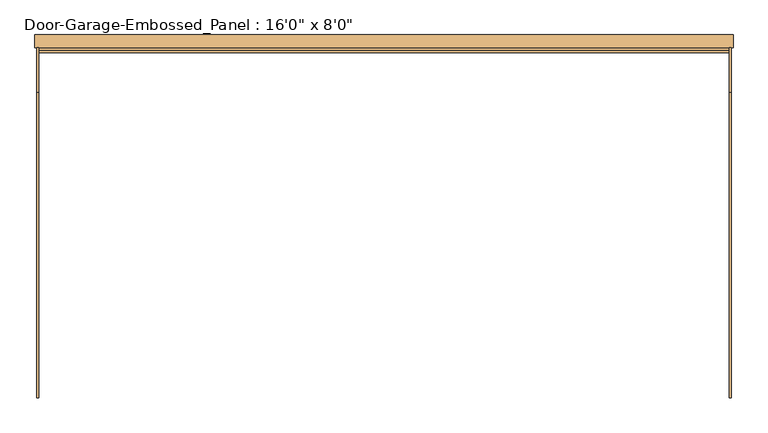
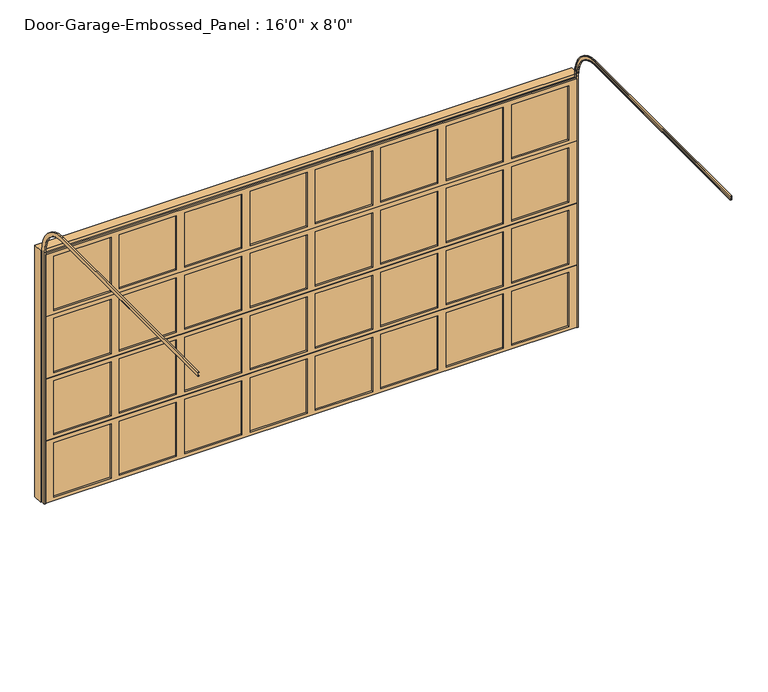
"""IFC4 building model written with IfcOpenShell, lengths in millimetres: door geometry."""

from ifc_helpers import new_model, si_unit, frame, origin, place, context, project, spatial, polyline, circle_curve, outline, extrude, faceted_brep, source, transform, mapped, element, save
from ifc_brep_helpers import plane_surface, cylinder_surface, revolved_surface, advanced_brep


def door_260d2f7f(model_context):
    return source(origin(), model_context, "Body", "SolidModel", [
        extrude(outline(polyline([(1762.125, -63.5), (1762.125, -69.85), (1238.25, -69.85), (1238.25, -63.5), (1762.125, -63.5)])), frame((0.0, 0.0, 1847.85), z_axis=(0.0, 0.0, 1.0), x_axis=(1.0, 0.0, 0.0)), (0.0, 0.0, 1.0), 527.05),
        extrude(outline(polyline([(1162.05, -63.5), (1162.05, -69.85), (638.175, -69.85), (638.175, -63.5), (1162.05, -63.5)])), frame((0.0, 0.0, 1847.85), z_axis=(0.0, 0.0, 1.0), x_axis=(1.0, 0.0, 0.0)), (0.0, 0.0, 1.0), 527.05),
        extrude(outline(polyline([(561.975, -63.5), (561.975, -69.85), (38.1, -69.85), (38.1, -63.5), (561.975, -63.5)])), frame((0.0, 0.0, 1847.85), z_axis=(0.0, 0.0, 1.0), x_axis=(1.0, 0.0, 0.0)), (0.0, 0.0, 1.0), 527.05),
        extrude(outline(polyline([(-38.1, -63.5), (-38.1, -69.85), (-561.975, -69.85), (-561.975, -63.5), (-38.1, -63.5)])), frame((0.0, 0.0, 1847.85), z_axis=(0.0, 0.0, 1.0), x_axis=(1.0, 0.0, 0.0)), (0.0, 0.0, 1.0), 527.05),
        extrude(outline(polyline([(-638.175, -63.5), (-638.175, -69.85), (-1162.05, -69.85), (-1162.05, -63.5), (-638.175, -63.5)])), frame((0.0, 0.0, 1847.85), z_axis=(0.0, 0.0, 1.0), x_axis=(1.0, 0.0, 0.0)), (0.0, 0.0, 1.0), 527.05),
        extrude(outline(polyline([(-1238.25, -63.5), (-1238.25, -69.85), (-1762.125, -69.85), (-1762.125, -63.5), (-1238.25, -63.5)])), frame((0.0, 0.0, 1847.85), z_axis=(0.0, 0.0, 1.0), x_axis=(1.0, 0.0, 0.0)), (0.0, 0.0, 1.0), 527.05),
        extrude(outline(polyline([(2362.2, -63.5), (2362.2, -69.85), (1838.325, -69.85), (1838.325, -63.5), (2362.2, -63.5)])), frame((0.0, 0.0, 1847.85), z_axis=(0.0, 0.0, 1.0), x_axis=(1.0, 0.0, 0.0)), (0.0, 0.0, 1.0), 527.05),
        extrude(outline(polyline([(-1838.325, -63.5), (-1838.325, -69.85), (-2362.2, -69.85), (-2362.2, -63.5), (-1838.325, -63.5)])), frame((0.0, 0.0, 1847.85), z_axis=(0.0, 0.0, 1.0), x_axis=(1.0, 0.0, 0.0)), (0.0, 0.0, 1.0), 527.05),
        faceted_brep([(2438.4, -69.85, 2416.175), (2438.4, -85.725, 2416.175), (2438.4, -85.725, 1816.1), (2438.4, -63.5, 1816.1), (2438.4, -63.5, 1809.75), (2438.4, -47.625, 1809.75), (2438.4, -47.625, 2409.825), (2438.4, -69.85, 2409.825), (-2438.4, -85.725, 2416.175), (-2438.4, -69.85, 2416.175), (-2438.4, -69.85, 2409.825), (-2438.4, -47.625, 2409.825), (-2438.4, -47.625, 1809.75), (-2438.4, -63.5, 1809.75), (-2438.4, -63.5, 1816.1), (-2438.4, -85.725, 1816.1), (1838.325, -85.725, 2374.9), (2362.2, -85.725, 2374.9), (2362.2, -85.725, 1847.85), (1838.325, -85.725, 1847.85), (-1762.125, -85.725, 2374.9), (-1238.25, -85.725, 2374.9), (-1238.25, -85.725, 1847.85), (-1762.125, -85.725, 1847.85), (-1162.05, -85.725, 2374.9), (-638.175, -85.725, 2374.9), (-638.175, -85.725, 1847.85), (-1162.05, -85.725, 1847.85), (-2362.2, -85.725, 2374.9), (-1838.325, -85.725, 2374.9), (-1838.325, -85.725, 1847.85), (-2362.2, -85.725, 1847.85), (-561.975, -85.725, 2374.9), (-38.1, -85.725, 2374.9), (-38.1, -85.725, 1847.85), (-561.975, -85.725, 1847.85), (38.1, -85.725, 2374.9), (561.975, -85.725, 2374.9), (561.975, -85.725, 1847.85), (38.1, -85.725, 1847.85), (638.175, -85.725, 2374.9), (1162.05, -85.725, 2374.9), (1162.05, -85.725, 1847.85), (638.175, -85.725, 1847.85), (1238.25, -85.725, 2374.9), (1762.125, -85.725, 2374.9), (1762.125, -85.725, 1847.85), (1238.25, -85.725, 1847.85), (2362.2, -47.625, 2374.9), (1838.325, -47.625, 2374.9), (1838.325, -47.625, 1847.85), (2362.2, -47.625, 1847.85), (-1238.25, -47.625, 2374.9), (-1762.125, -47.625, 2374.9), (-1762.125, -47.625, 1847.85), (-1238.25, -47.625, 1847.85), (-638.175, -47.625, 2374.9), (-1162.05, -47.625, 2374.9), (-1162.05, -47.625, 1847.85), (-638.175, -47.625, 1847.85), (-1838.325, -47.625, 2374.9), (-2362.2, -47.625, 2374.9), (-2362.2, -47.625, 1847.85), (-1838.325, -47.625, 1847.85), (-38.1, -47.625, 2374.9), (-561.975, -47.625, 2374.9), (-561.975, -47.625, 1847.85), (-38.1, -47.625, 1847.85), (561.975, -47.625, 2374.9), (38.1, -47.625, 2374.9), (38.1, -47.625, 1847.85), (561.975, -47.625, 1847.85), (1162.05, -47.625, 2374.9), (638.175, -47.625, 2374.9), (638.175, -47.625, 1847.85), (1162.05, -47.625, 1847.85), (1762.125, -47.625, 2374.9), (1238.25, -47.625, 2374.9), (1238.25, -47.625, 1847.85), (1762.125, -47.625, 1847.85)], [[[0, 1, 2, 3, 4, 5, 6, 7]], [[8, 9, 10, 11, 12, 13, 14, 15]], [[1, 0, 9, 8]], [[2, 1, 8, 15], [16, 17, 18, 19], [20, 21, 22, 23], [24, 25, 26, 27], [28, 29, 30, 31], [32, 33, 34, 35], [36, 37, 38, 39], [40, 41, 42, 43], [44, 45, 46, 47]], [[3, 2, 15, 14]], [[4, 3, 14, 13]], [[5, 4, 13, 12]], [[6, 5, 12, 11], [48, 49, 50, 51], [52, 53, 54, 55], [56, 57, 58, 59], [60, 61, 62, 63], [64, 65, 66, 67], [68, 69, 70, 71], [72, 73, 74, 75], [76, 77, 78, 79]], [[7, 6, 11, 10]], [[0, 7, 10, 9]], [[16, 49, 48, 17]], [[49, 16, 19, 50]], [[50, 19, 18, 51]], [[17, 48, 51, 18]], [[20, 53, 52, 21]], [[53, 20, 23, 54]], [[54, 23, 22, 55]], [[21, 52, 55, 22]], [[24, 57, 56, 25]], [[57, 24, 27, 58]], [[58, 27, 26, 59]], [[25, 56, 59, 26]], [[61, 28, 31, 62]], [[62, 31, 30, 63]], [[28, 61, 60, 29]], [[29, 60, 63, 30]], [[32, 65, 64, 33]], [[65, 32, 35, 66]], [[66, 35, 34, 67]], [[33, 64, 67, 34]], [[36, 69, 68, 37]], [[69, 36, 39, 70]], [[70, 39, 38, 71]], [[37, 68, 71, 38]], [[40, 73, 72, 41]], [[73, 40, 43, 74]], [[74, 43, 42, 75]], [[41, 72, 75, 42]], [[44, 77, 76, 45]], [[77, 44, 47, 78]], [[78, 47, 46, 79]], [[45, 76, 79, 46]]]),
        extrude(outline(polyline([(1762.125, -63.5), (1762.125, -69.85), (1238.25, -69.85), (1238.25, -63.5), (1762.125, -63.5)])), frame((0.0, 0.0, 1244.6), z_axis=(0.0, 0.0, 1.0), x_axis=(1.0, 0.0, 0.0)), (0.0, 0.0, 1.0), 527.05),
        extrude(outline(polyline([(1162.05, -63.5), (1162.05, -69.85), (638.175, -69.85), (638.175, -63.5), (1162.05, -63.5)])), frame((0.0, 0.0, 1244.6), z_axis=(0.0, 0.0, 1.0), x_axis=(1.0, 0.0, 0.0)), (0.0, 0.0, 1.0), 527.05),
        extrude(outline(polyline([(561.975, -63.5), (561.975, -69.85), (38.1, -69.85), (38.1, -63.5), (561.975, -63.5)])), frame((0.0, 0.0, 1244.6), z_axis=(0.0, 0.0, 1.0), x_axis=(1.0, 0.0, 0.0)), (0.0, 0.0, 1.0), 527.05),
        extrude(outline(polyline([(-38.1, -63.5), (-38.1, -69.85), (-561.975, -69.85), (-561.975, -63.5), (-38.1, -63.5)])), frame((0.0, 0.0, 1244.6), z_axis=(0.0, 0.0, 1.0), x_axis=(1.0, 0.0, 0.0)), (0.0, 0.0, 1.0), 527.05),
        extrude(outline(polyline([(-638.175, -63.5), (-638.175, -69.85), (-1162.05, -69.85), (-1162.05, -63.5), (-638.175, -63.5)])), frame((0.0, 0.0, 1244.6), z_axis=(0.0, 0.0, 1.0), x_axis=(1.0, 0.0, 0.0)), (0.0, 0.0, 1.0), 527.05),
        extrude(outline(polyline([(-1238.25, -63.5), (-1238.25, -69.85), (-1762.125, -69.85), (-1762.125, -63.5), (-1238.25, -63.5)])), frame((0.0, 0.0, 1244.6), z_axis=(0.0, 0.0, 1.0), x_axis=(1.0, 0.0, 0.0)), (0.0, 0.0, 1.0), 527.05),
        extrude(outline(polyline([(2362.2, -63.5), (2362.2, -69.85), (1838.325, -69.85), (1838.325, -63.5), (2362.2, -63.5)])), frame((0.0, 0.0, 1244.6), z_axis=(0.0, 0.0, 1.0), x_axis=(1.0, 0.0, 0.0)), (0.0, 0.0, 1.0), 527.05),
        extrude(outline(polyline([(-1838.325, -63.5), (-1838.325, -69.85), (-2362.2, -69.85), (-2362.2, -63.5), (-1838.325, -63.5)])), frame((0.0, 0.0, 1244.6), z_axis=(0.0, 0.0, 1.0), x_axis=(1.0, 0.0, 0.0)), (0.0, 0.0, 1.0), 527.05),
        faceted_brep([(2438.4, -69.85, 1812.925), (2438.4, -85.725, 1812.925), (2438.4, -85.725, 1212.85), (2438.4, -63.5, 1212.85), (2438.4, -63.5, 1206.5), (2438.4, -47.625, 1206.5), (2438.4, -47.625, 1806.575), (2438.4, -69.85, 1806.575), (-2438.4, -85.725, 1812.925), (-2438.4, -69.85, 1812.925), (-2438.4, -69.85, 1806.575), (-2438.4, -47.625, 1806.575), (-2438.4, -47.625, 1206.5), (-2438.4, -63.5, 1206.5), (-2438.4, -63.5, 1212.85), (-2438.4, -85.725, 1212.85), (1838.325, -85.725, 1771.65), (2362.2, -85.725, 1771.65), (2362.2, -85.725, 1244.6), (1838.325, -85.725, 1244.6), (-1762.125, -85.725, 1771.65), (-1238.25, -85.725, 1771.65), (-1238.25, -85.725, 1244.6), (-1762.125, -85.725, 1244.6), (-1162.05, -85.725, 1771.65), (-638.175, -85.725, 1771.65), (-638.175, -85.725, 1244.6), (-1162.05, -85.725, 1244.6), (-2362.2, -85.725, 1771.65), (-1838.325, -85.725, 1771.65), (-1838.325, -85.725, 1244.6), (-2362.2, -85.725, 1244.6), (-561.975, -85.725, 1771.65), (-38.1, -85.725, 1771.65), (-38.1, -85.725, 1244.6), (-561.975, -85.725, 1244.6), (38.1, -85.725, 1771.65), (561.975, -85.725, 1771.65), (561.975, -85.725, 1244.6), (38.1, -85.725, 1244.6), (638.175, -85.725, 1771.65), (1162.05, -85.725, 1771.65), (1162.05, -85.725, 1244.6), (638.175, -85.725, 1244.6), (1238.25, -85.725, 1771.65), (1762.125, -85.725, 1771.65), (1762.125, -85.725, 1244.6), (1238.25, -85.725, 1244.6), (2362.2, -47.625, 1771.65), (1838.325, -47.625, 1771.65), (1838.325, -47.625, 1244.6), (2362.2, -47.625, 1244.6), (-1238.25, -47.625, 1771.65), (-1762.125, -47.625, 1771.65), (-1762.125, -47.625, 1244.6), (-1238.25, -47.625, 1244.6), (-638.175, -47.625, 1771.65), (-1162.05, -47.625, 1771.65), (-1162.05, -47.625, 1244.6), (-638.175, -47.625, 1244.6), (-1838.325, -47.625, 1771.65), (-2362.2, -47.625, 1771.65), (-2362.2, -47.625, 1244.6), (-1838.325, -47.625, 1244.6), (-38.1, -47.625, 1771.65), (-561.975, -47.625, 1771.65), (-561.975, -47.625, 1244.6), (-38.1, -47.625, 1244.6), (561.975, -47.625, 1771.65), (38.1, -47.625, 1771.65), (38.1, -47.625, 1244.6), (561.975, -47.625, 1244.6), (1162.05, -47.625, 1771.65), (638.175, -47.625, 1771.65), (638.175, -47.625, 1244.6), (1162.05, -47.625, 1244.6), (1762.125, -47.625, 1771.65), (1238.25, -47.625, 1771.65), (1238.25, -47.625, 1244.6), (1762.125, -47.625, 1244.6)], [[[0, 1, 2, 3, 4, 5, 6, 7]], [[8, 9, 10, 11, 12, 13, 14, 15]], [[1, 0, 9, 8]], [[2, 1, 8, 15], [16, 17, 18, 19], [20, 21, 22, 23], [24, 25, 26, 27], [28, 29, 30, 31], [32, 33, 34, 35], [36, 37, 38, 39], [40, 41, 42, 43], [44, 45, 46, 47]], [[3, 2, 15, 14]], [[4, 3, 14, 13]], [[5, 4, 13, 12]], [[6, 5, 12, 11], [48, 49, 50, 51], [52, 53, 54, 55], [56, 57, 58, 59], [60, 61, 62, 63], [64, 65, 66, 67], [68, 69, 70, 71], [72, 73, 74, 75], [76, 77, 78, 79]], [[7, 6, 11, 10]], [[0, 7, 10, 9]], [[16, 49, 48, 17]], [[49, 16, 19, 50]], [[50, 19, 18, 51]], [[17, 48, 51, 18]], [[20, 53, 52, 21]], [[53, 20, 23, 54]], [[54, 23, 22, 55]], [[21, 52, 55, 22]], [[24, 57, 56, 25]], [[57, 24, 27, 58]], [[58, 27, 26, 59]], [[25, 56, 59, 26]], [[61, 28, 31, 62]], [[62, 31, 30, 63]], [[28, 61, 60, 29]], [[29, 60, 63, 30]], [[32, 65, 64, 33]], [[65, 32, 35, 66]], [[66, 35, 34, 67]], [[33, 64, 67, 34]], [[36, 69, 68, 37]], [[69, 36, 39, 70]], [[70, 39, 38, 71]], [[37, 68, 71, 38]], [[40, 73, 72, 41]], [[73, 40, 43, 74]], [[74, 43, 42, 75]], [[41, 72, 75, 42]], [[44, 77, 76, 45]], [[77, 44, 47, 78]], [[78, 47, 46, 79]], [[45, 76, 79, 46]]]),
        extrude(outline(polyline([(1762.125, -63.5), (1762.125, -69.85), (1238.25, -69.85), (1238.25, -63.5), (1762.125, -63.5)])), frame((0.0, 0.0, 641.35), z_axis=(0.0, 0.0, 1.0), x_axis=(1.0, 0.0, 0.0)), (0.0, 0.0, 1.0), 527.05),
        extrude(outline(polyline([(1162.05, -63.5), (1162.05, -69.85), (638.175, -69.85), (638.175, -63.5), (1162.05, -63.5)])), frame((0.0, 0.0, 641.35), z_axis=(0.0, 0.0, 1.0), x_axis=(1.0, 0.0, 0.0)), (0.0, 0.0, 1.0), 527.05),
        extrude(outline(polyline([(561.975, -63.5), (561.975, -69.85), (38.1, -69.85), (38.1, -63.5), (561.975, -63.5)])), frame((0.0, 0.0, 641.35), z_axis=(0.0, 0.0, 1.0), x_axis=(1.0, 0.0, 0.0)), (0.0, 0.0, 1.0), 527.05),
        extrude(outline(polyline([(-38.1, -63.5), (-38.1, -69.85), (-561.975, -69.85), (-561.975, -63.5), (-38.1, -63.5)])), frame((0.0, 0.0, 641.35), z_axis=(0.0, 0.0, 1.0), x_axis=(1.0, 0.0, 0.0)), (0.0, 0.0, 1.0), 527.05),
        extrude(outline(polyline([(-638.175, -63.5), (-638.175, -69.85), (-1162.05, -69.85), (-1162.05, -63.5), (-638.175, -63.5)])), frame((0.0, 0.0, 641.35), z_axis=(0.0, 0.0, 1.0), x_axis=(1.0, 0.0, 0.0)), (0.0, 0.0, 1.0), 527.05),
        extrude(outline(polyline([(-1238.25, -63.5), (-1238.25, -69.85), (-1762.125, -69.85), (-1762.125, -63.5), (-1238.25, -63.5)])), frame((0.0, 0.0, 641.35), z_axis=(0.0, 0.0, 1.0), x_axis=(1.0, 0.0, 0.0)), (0.0, 0.0, 1.0), 527.05),
        extrude(outline(polyline([(2362.2, -63.5), (2362.2, -69.85), (1838.325, -69.85), (1838.325, -63.5), (2362.2, -63.5)])), frame((0.0, 0.0, 641.35), z_axis=(0.0, 0.0, 1.0), x_axis=(1.0, 0.0, 0.0)), (0.0, 0.0, 1.0), 527.05),
        extrude(outline(polyline([(-1838.325, -63.5), (-1838.325, -69.85), (-2362.2, -69.85), (-2362.2, -63.5), (-1838.325, -63.5)])), frame((0.0, 0.0, 641.35), z_axis=(0.0, 0.0, 1.0), x_axis=(1.0, 0.0, 0.0)), (0.0, 0.0, 1.0), 527.05),
        faceted_brep([(2438.4, -69.85, 1209.675), (2438.4, -85.725, 1209.675), (2438.4, -85.725, 609.6), (2438.4, -63.5, 609.6), (2438.4, -63.5, 603.25), (2438.4, -47.625, 603.25), (2438.4, -47.625, 1203.325), (2438.4, -69.85, 1203.325), (-2438.4, -85.725, 1209.675), (-2438.4, -69.85, 1209.675), (-2438.4, -69.85, 1203.325), (-2438.4, -47.625, 1203.325), (-2438.4, -47.625, 603.25), (-2438.4, -63.5, 603.25), (-2438.4, -63.5, 609.6), (-2438.4, -85.725, 609.6), (1838.325, -85.725, 1168.4), (2362.2, -85.725, 1168.4), (2362.2, -85.725, 641.35), (1838.325, -85.725, 641.35), (-1762.125, -85.725, 1168.4), (-1238.25, -85.725, 1168.4), (-1238.25, -85.725, 641.35), (-1762.125, -85.725, 641.35), (-1162.05, -85.725, 1168.4), (-638.175, -85.725, 1168.4), (-638.175, -85.725, 641.35), (-1162.05, -85.725, 641.35), (-2362.2, -85.725, 1168.4), (-1838.325, -85.725, 1168.4), (-1838.325, -85.725, 641.35), (-2362.2, -85.725, 641.35), (-561.975, -85.725, 1168.4), (-38.1, -85.725, 1168.4), (-38.1, -85.725, 641.35), (-561.975, -85.725, 641.35), (38.1, -85.725, 1168.4), (561.975, -85.725, 1168.4), (561.975, -85.725, 641.35), (38.1, -85.725, 641.35), (638.175, -85.725, 1168.4), (1162.05, -85.725, 1168.4), (1162.05, -85.725, 641.35), (638.175, -85.725, 641.35), (1238.25, -85.725, 1168.4), (1762.125, -85.725, 1168.4), (1762.125, -85.725, 641.35), (1238.25, -85.725, 641.35), (2362.2, -47.625, 1168.4), (1838.325, -47.625, 1168.4), (1838.325, -47.625, 641.35), (2362.2, -47.625, 641.35), (-1238.25, -47.625, 1168.4), (-1762.125, -47.625, 1168.4), (-1762.125, -47.625, 641.35), (-1238.25, -47.625, 641.35), (-638.175, -47.625, 1168.4), (-1162.05, -47.625, 1168.4), (-1162.05, -47.625, 641.35), (-638.175, -47.625, 641.35), (-1838.325, -47.625, 1168.4), (-2362.2, -47.625, 1168.4), (-2362.2, -47.625, 641.35), (-1838.325, -47.625, 641.35), (-38.1, -47.625, 1168.4), (-561.975, -47.625, 1168.4), (-561.975, -47.625, 641.35), (-38.1, -47.625, 641.35), (561.975, -47.625, 1168.4), (38.1, -47.625, 1168.4), (38.1, -47.625, 641.35), (561.975, -47.625, 641.35), (1162.05, -47.625, 1168.4), (638.175, -47.625, 1168.4), (638.175, -47.625, 641.35), (1162.05, -47.625, 641.35), (1762.125, -47.625, 1168.4), (1238.25, -47.625, 1168.4), (1238.25, -47.625, 641.35), (1762.125, -47.625, 641.35)], [[[0, 1, 2, 3, 4, 5, 6, 7]], [[8, 9, 10, 11, 12, 13, 14, 15]], [[1, 0, 9, 8]], [[2, 1, 8, 15], [16, 17, 18, 19], [20, 21, 22, 23], [24, 25, 26, 27], [28, 29, 30, 31], [32, 33, 34, 35], [36, 37, 38, 39], [40, 41, 42, 43], [44, 45, 46, 47]], [[3, 2, 15, 14]], [[4, 3, 14, 13]], [[5, 4, 13, 12]], [[6, 5, 12, 11], [48, 49, 50, 51], [52, 53, 54, 55], [56, 57, 58, 59], [60, 61, 62, 63], [64, 65, 66, 67], [68, 69, 70, 71], [72, 73, 74, 75], [76, 77, 78, 79]], [[7, 6, 11, 10]], [[0, 7, 10, 9]], [[16, 49, 48, 17]], [[49, 16, 19, 50]], [[50, 19, 18, 51]], [[17, 48, 51, 18]], [[20, 53, 52, 21]], [[53, 20, 23, 54]], [[54, 23, 22, 55]], [[21, 52, 55, 22]], [[24, 57, 56, 25]], [[57, 24, 27, 58]], [[58, 27, 26, 59]], [[25, 56, 59, 26]], [[61, 28, 31, 62]], [[62, 31, 30, 63]], [[28, 61, 60, 29]], [[29, 60, 63, 30]], [[32, 65, 64, 33]], [[65, 32, 35, 66]], [[66, 35, 34, 67]], [[33, 64, 67, 34]], [[36, 69, 68, 37]], [[69, 36, 39, 70]], [[70, 39, 38, 71]], [[37, 68, 71, 38]], [[40, 73, 72, 41]], [[73, 40, 43, 74]], [[74, 43, 42, 75]], [[41, 72, 75, 42]], [[44, 77, 76, 45]], [[77, 44, 47, 78]], [[78, 47, 46, 79]], [[45, 76, 79, 46]]]),
        extrude(outline(polyline([(1762.125, -63.5), (1762.125, -69.85), (1238.25, -69.85), (1238.25, -63.5), (1762.125, -63.5)])), frame((0.0, 0.0, 38.1), z_axis=(0.0, 0.0, 1.0), x_axis=(1.0, 0.0, 0.0)), (0.0, 0.0, 1.0), 527.05),
        extrude(outline(polyline([(1162.05, -63.5), (1162.05, -69.85), (638.175, -69.85), (638.175, -63.5), (1162.05, -63.5)])), frame((0.0, 0.0, 38.1), z_axis=(0.0, 0.0, 1.0), x_axis=(1.0, 0.0, 0.0)), (0.0, 0.0, 1.0), 527.05),
        extrude(outline(polyline([(561.975, -63.5), (561.975, -69.85), (38.1, -69.85), (38.1, -63.5), (561.975, -63.5)])), frame((0.0, 0.0, 38.1), z_axis=(0.0, 0.0, 1.0), x_axis=(1.0, 0.0, 0.0)), (0.0, 0.0, 1.0), 527.05),
        extrude(outline(polyline([(-38.1, -63.5), (-38.1, -69.85), (-561.975, -69.85), (-561.975, -63.5), (-38.1, -63.5)])), frame((0.0, 0.0, 38.1), z_axis=(0.0, 0.0, 1.0), x_axis=(1.0, 0.0, 0.0)), (0.0, 0.0, 1.0), 527.05),
        extrude(outline(polyline([(-638.175, -63.5), (-638.175, -69.85), (-1162.05, -69.85), (-1162.05, -63.5), (-638.175, -63.5)])), frame((0.0, 0.0, 38.1), z_axis=(0.0, 0.0, 1.0), x_axis=(1.0, 0.0, 0.0)), (0.0, 0.0, 1.0), 527.05),
        extrude(outline(polyline([(-1238.25, -63.5), (-1238.25, -69.85), (-1762.125, -69.85), (-1762.125, -63.5), (-1238.25, -63.5)])), frame((0.0, 0.0, 38.1), z_axis=(0.0, 0.0, 1.0), x_axis=(1.0, 0.0, 0.0)), (0.0, 0.0, 1.0), 527.05),
        extrude(outline(polyline([(2362.2, -63.5), (2362.2, -69.85), (1838.325, -69.85), (1838.325, -63.5), (2362.2, -63.5)])), frame((0.0, 0.0, 38.1), z_axis=(0.0, 0.0, 1.0), x_axis=(1.0, 0.0, 0.0)), (0.0, 0.0, 1.0), 527.05),
        extrude(outline(polyline([(-1838.325, -63.5), (-1838.325, -69.85), (-2362.2, -69.85), (-2362.2, -63.5), (-1838.325, -63.5)])), frame((0.0, 0.0, 38.1), z_axis=(0.0, 0.0, 1.0), x_axis=(1.0, 0.0, 0.0)), (0.0, 0.0, 1.0), 527.05),
        faceted_brep([(2438.4, -69.85, 606.425), (2438.4, -85.725, 606.425), (2438.4, -85.725, 6.35), (2438.4, -63.5, 6.35), (2438.4, -63.5, 0.0), (2438.4, -47.625, 0.0), (2438.4, -47.625, 600.075), (2438.4, -69.85, 600.075), (-2438.4, -85.725, 606.425), (-2438.4, -69.85, 606.425), (-2438.4, -69.85, 600.075), (-2438.4, -47.625, 600.075), (-2438.4, -47.625, 0.0), (-2438.4, -63.5, 0.0), (-2438.4, -63.5, 6.35), (-2438.4, -85.725, 6.35), (1838.325, -85.725, 565.15), (2362.2, -85.725, 565.15), (2362.2, -85.725, 38.1), (1838.325, -85.725, 38.1), (-1762.125, -85.725, 565.15), (-1238.25, -85.725, 565.15), (-1238.25, -85.725, 38.1), (-1762.125, -85.725, 38.1), (-1162.05, -85.725, 565.15), (-638.175, -85.725, 565.15), (-638.175, -85.725, 38.1), (-1162.05, -85.725, 38.1), (-2362.2, -85.725, 565.15), (-1838.325, -85.725, 565.15), (-1838.325, -85.725, 38.1), (-2362.2, -85.725, 38.1), (-561.975, -85.725, 565.15), (-38.1, -85.725, 565.15), (-38.1, -85.725, 38.1), (-561.975, -85.725, 38.1), (38.1, -85.725, 565.15), (561.975, -85.725, 565.15), (561.975, -85.725, 38.1), (38.1, -85.725, 38.1), (638.175, -85.725, 565.15), (1162.05, -85.725, 565.15), (1162.05, -85.725, 38.1), (638.175, -85.725, 38.1), (1238.25, -85.725, 565.15), (1762.125, -85.725, 565.15), (1762.125, -85.725, 38.1), (1238.25, -85.725, 38.1), (2362.2, -47.625, 565.15), (1838.325, -47.625, 565.15), (1838.325, -47.625, 38.1), (2362.2, -47.625, 38.1), (-1238.25, -47.625, 565.15), (-1762.125, -47.625, 565.15), (-1762.125, -47.625, 38.1), (-1238.25, -47.625, 38.1), (-638.175, -47.625, 565.15), (-1162.05, -47.625, 565.15), (-1162.05, -47.625, 38.1), (-638.175, -47.625, 38.1), (-1838.325, -47.625, 565.15), (-2362.2, -47.625, 565.15), (-2362.2, -47.625, 38.1), (-1838.325, -47.625, 38.1), (-38.1, -47.625, 565.15), (-561.975, -47.625, 565.15), (-561.975, -47.625, 38.1), (-38.1, -47.625, 38.1), (561.975, -47.625, 565.15), (38.1, -47.625, 565.15), (38.1, -47.625, 38.1), (561.975, -47.625, 38.1), (1162.05, -47.625, 565.15), (638.175, -47.625, 565.15), (638.175, -47.625, 38.1), (1162.05, -47.625, 38.1), (1762.125, -47.625, 565.15), (1238.25, -47.625, 565.15), (1238.25, -47.625, 38.1), (1762.125, -47.625, 38.1)], [[[0, 1, 2, 3, 4, 5, 6, 7]], [[8, 9, 10, 11, 12, 13, 14, 15]], [[1, 0, 9, 8]], [[2, 1, 8, 15], [16, 17, 18, 19], [20, 21, 22, 23], [24, 25, 26, 27], [28, 29, 30, 31], [32, 33, 34, 35], [36, 37, 38, 39], [40, 41, 42, 43], [44, 45, 46, 47]], [[3, 2, 15, 14]], [[4, 3, 14, 13]], [[5, 4, 13, 12]], [[6, 5, 12, 11], [48, 49, 50, 51], [52, 53, 54, 55], [56, 57, 58, 59], [60, 61, 62, 63], [64, 65, 66, 67], [68, 69, 70, 71], [72, 73, 74, 75], [76, 77, 78, 79]], [[7, 6, 11, 10]], [[0, 7, 10, 9]], [[16, 49, 48, 17]], [[49, 16, 19, 50]], [[50, 19, 18, 51]], [[17, 48, 51, 18]], [[20, 53, 52, 21]], [[53, 20, 23, 54]], [[54, 23, 22, 55]], [[21, 52, 55, 22]], [[24, 57, 56, 25]], [[57, 24, 27, 58]], [[58, 27, 26, 59]], [[25, 56, 59, 26]], [[61, 28, 31, 62]], [[62, 31, 30, 63]], [[28, 61, 60, 29]], [[29, 60, 63, 30]], [[32, 65, 64, 33]], [[65, 32, 35, 66]], [[66, 35, 34, 67]], [[33, 64, 67, 34]], [[36, 69, 68, 37]], [[69, 36, 39, 70]], [[70, 39, 38, 71]], [[37, 68, 71, 38]], [[40, 73, 72, 41]], [[73, 40, 43, 74]], [[74, 43, 42, 75]], [[41, 72, 75, 42]], [[44, 77, 76, 45]], [[77, 44, 47, 78]], [[78, 47, 46, 79]], [[45, 76, 79, 46]]]),
        advanced_brep(
        [(2451.1, -85.725, 0.0), (2438.4, -85.725, 0.0), (2438.4, -82.55, 0.0), (2447.925, -82.55, 0.0), (2447.925, -50.8, 0.0), (2438.4, -50.8, 0.0), (2438.4, -47.625, 0.0), (2451.1, -47.625, 0.0), (2451.1, -85.725, 2438.4), (2438.4, -85.725, 2438.4), (2438.4, -365.125, 2717.8), (2438.4, -2524.125, 2717.8), (2438.4, -2524.125, 2720.975), (2438.4, -365.125, 2720.975), (2438.4, -82.55, 2438.4), (2447.925, -82.55, 2438.4), (2447.925, -365.125, 2720.975), (2447.925, -2524.125, 2720.975), (2447.925, -2524.125, 2752.725), (2447.925, -365.125, 2752.725), (2447.925, -50.8, 2438.4), (2438.4, -50.8, 2438.4), (2438.4, -365.125, 2752.725), (2438.4, -2524.125, 2752.725), (2438.4, -2524.125, 2755.9), (2438.4, -365.125, 2755.9), (2438.4, -47.625, 2438.4), (2451.1, -47.625, 2438.4), (2451.1, -365.125, 2755.9), (2451.1, -2524.125, 2755.9), (2451.1, -2524.125, 2717.8), (2451.1, -365.125, 2717.8)],
        [
            (0, 1),
            (1, 2),
            (2, 3),
            (3, 4),
            (4, 5),
            (5, 6),
            (6, 7),
            (7, 0),
            (0, 8),
            (8, 9),
            (9, 1),
            (9, 10, circle_curve(frame((2438.4, -365.125, 2438.4), z_axis=(1.0, 0.0, 0.0), x_axis=(0.0, 1.0, 0.0)), 279.4)),
            (10, 11),
            (11, 12),
            (12, 13),
            (13, 14, circle_curve(frame((2438.4, -365.125, 2438.4), z_axis=(-1.0, 0.0, 0.0), x_axis=(0.0, 1.0, 0.0)), 282.575)),
            (14, 2),
            (14, 15),
            (15, 3),
            (15, 16, circle_curve(frame((2447.925, -365.125, 2438.4), z_axis=(1.0, 0.0, 0.0), x_axis=(0.0, 1.0, 0.0)), 282.575)),
            (16, 17),
            (17, 18),
            (18, 19),
            (19, 20, circle_curve(frame((2447.925, -365.125, 2438.4), z_axis=(-1.0, 0.0, 0.0), x_axis=(0.0, 1.0, 0.0)), 314.325)),
            (20, 4),
            (20, 21),
            (21, 5),
            (21, 22, circle_curve(frame((2438.4, -365.125, 2438.4), z_axis=(1.0, 0.0, 0.0), x_axis=(0.0, 1.0, 0.0)), 314.325)),
            (22, 23),
            (23, 24),
            (24, 25),
            (25, 26, circle_curve(frame((2438.4, -365.125, 2438.4), z_axis=(-1.0, 0.0, 0.0), x_axis=(0.0, 1.0, 0.0)), 317.5)),
            (26, 6),
            (26, 27),
            (27, 7),
            (27, 28, circle_curve(frame((2451.1, -365.125, 2438.4), z_axis=(1.0, 0.0, 0.0), x_axis=(0.0, 1.0, 0.0)), 317.5)),
            (28, 29),
            (29, 30),
            (30, 31),
            (31, 8, circle_curve(frame((2451.1, -365.125, 2438.4), z_axis=(-1.0, 0.0, 0.0), x_axis=(0.0, 1.0, 0.0)), 279.4)),
            (31, 10),
            (13, 16),
            (19, 22),
            (25, 28),
            (29, 24),
            (23, 18),
            (17, 12),
            (11, 30),
        ],
        [
            plane_surface(frame((0.0, -85.725, 0.0), z_axis=(0.0, 0.0, -1.0), x_axis=(1.0, 0.0, 0.0))),
            plane_surface(frame((2451.1, -85.725, 0.0), z_axis=(0.0, -1.0, 0.0), x_axis=(0.0, 0.0, 1.0))),
            plane_surface(frame((2438.4, -85.725, 0.0), z_axis=(-1.0, 0.0, 0.0), x_axis=(0.0, 0.0, 1.0))),
            plane_surface(frame((2438.4, -82.55, 0.0), z_axis=(0.0, 1.0, 0.0), x_axis=(0.0, 0.0, 1.0))),
            plane_surface(frame((2447.925, -82.55, 0.0), z_axis=(-1.0, 0.0, 0.0), x_axis=(0.0, 0.0, 1.0))),
            plane_surface(frame((2447.925, -50.8, 0.0), z_axis=(0.0, -1.0, 0.0), x_axis=(0.0, 0.0, 1.0))),
            plane_surface(frame((2438.4, -50.8, 0.0), z_axis=(-1.0, 0.0, 0.0), x_axis=(0.0, 0.0, 1.0))),
            plane_surface(frame((2438.4, -47.625, 0.0), z_axis=(0.0, 1.0, 0.0), x_axis=(0.0, 0.0, 1.0))),
            plane_surface(frame((2451.1, -47.625, 0.0), z_axis=(1.0, 0.0, 0.0), x_axis=(0.0, 0.0, 1.0))),
            revolved_surface(polyline([(2451.1, -85.72500000000002, 2438.4), (2438.4, -85.72500000000002, 2438.4)]), (0.0, -365.125, 2438.4), (1.0, 0.0, 0.0)),
            cylinder_surface(frame((0.0, -365.125, 2438.4), z_axis=(1.0, 0.0, 0.0), x_axis=(0.0, 1.0, 0.0)), 282.575),
            revolved_surface(polyline([(2447.925, -50.80000000000001, 2438.4), (2438.4, -50.80000000000001, 2438.4)]), (0.0, -365.125, 2438.4), (1.0, 0.0, 0.0)),
            cylinder_surface(frame((0.0, -365.125, 2438.4), z_axis=(1.0, 0.0, 0.0), x_axis=(0.0, 1.0, 0.0)), 317.5),
            plane_surface(frame((0.0, -2524.125, 2717.8), z_axis=(0.0, -1.0, 0.0), x_axis=(1.0, 0.0, 0.0))),
            plane_surface(frame((2451.1, -365.125, 2717.8), z_axis=(0.0, 0.0, -1.0), x_axis=(0.0, -1.0, 0.0))),
            plane_surface(frame((2438.4, -365.125, 2720.975), z_axis=(0.0, 0.0, 1.0), x_axis=(0.0, -1.0, 0.0))),
            plane_surface(frame((2447.925, -365.125, 2752.725), z_axis=(0.0, 0.0, -1.0), x_axis=(0.0, -1.0, 0.0))),
            plane_surface(frame((2438.4, -365.125, 2755.9), z_axis=(0.0, 0.0, 1.0), x_axis=(0.0, -1.0, 0.0))),
        ],
        [
            (0, [[1, 2, 3, 4, 5, 6, 7, 8]]),
            (1, [[-1, 9, 10, 11]]),
            (2, [[-2, -11, 12, 13, 14, 15, 16, 17]]),
            (3, [[-3, -17, 18, 19]]),
            (4, [[-4, -19, 20, 21, 22, 23, 24, 25]]),
            (5, [[-5, -25, 26, 27]]),
            (6, [[-6, -27, 28, 29, 30, 31, 32, 33]]),
            (7, [[-7, -33, 34, 35]]),
            (8, [[-8, -35, 36, 37, 38, 39, 40, -9]]),
            (9, [[-12, -10, -40, 41]]),
            (10, [[-20, -18, -16, 42]]),
            (11, [[-28, -26, -24, 43]]),
            (12, [[-36, -34, -32, 44]]),
            (13, [[-38, 45, -30, 46, -22, 47, -14, 48]]),
            (14, [[-41, -39, -48, -13]]),
            (15, [[-42, -15, -47, -21]]),
            (16, [[-43, -23, -46, -29]]),
            (17, [[-44, -31, -45, -37]]),
        ],
    ),
        advanced_brep(
        [(-2451.1, -85.725, 0.0), (-2451.1, -47.625, 0.0), (-2438.4, -47.625, 0.0), (-2438.4, -50.8, 0.0), (-2447.925, -50.8, 0.0), (-2447.925, -82.55, 0.0), (-2438.4, -82.55, 0.0), (-2438.4, -85.725, 0.0), (-2451.1, -85.725, 2438.4), (-2451.1, -365.125, 2717.8), (-2451.1, -2524.125, 2717.8), (-2451.1, -2524.125, 2755.9), (-2451.1, -365.125, 2755.9), (-2451.1, -47.625, 2438.4), (-2438.4, -47.625, 2438.4), (-2438.4, -365.125, 2755.9), (-2438.4, -2524.125, 2755.9), (-2438.4, -2524.125, 2752.725), (-2438.4, -365.125, 2752.725), (-2438.4, -50.8, 2438.4), (-2447.925, -50.8, 2438.4), (-2447.925, -365.125, 2752.725), (-2447.925, -2524.125, 2752.725), (-2447.925, -2524.125, 2720.975), (-2447.925, -365.125, 2720.975), (-2447.925, -82.55, 2438.4), (-2438.4, -82.55, 2438.4), (-2438.4, -365.125, 2720.975), (-2438.4, -2524.125, 2720.975), (-2438.4, -2524.125, 2717.8), (-2438.4, -365.125, 2717.8), (-2438.4, -85.725, 2438.4)],
        [
            (0, 1),
            (1, 2),
            (2, 3),
            (3, 4),
            (4, 5),
            (5, 6),
            (6, 7),
            (7, 0),
            (0, 8),
            (8, 9, circle_curve(frame((-2451.1, -365.125, 2438.4), z_axis=(1.0, 0.0, 0.0), x_axis=(0.0, 1.0, 0.0)), 279.4)),
            (9, 10),
            (10, 11),
            (11, 12),
            (12, 13, circle_curve(frame((-2451.1, -365.125, 2438.4), z_axis=(-1.0, 0.0, 0.0), x_axis=(0.0, 1.0, 0.0)), 317.5)),
            (13, 1),
            (13, 14),
            (14, 2),
            (14, 15, circle_curve(frame((-2438.4, -365.125, 2438.4), z_axis=(1.0, 0.0, 0.0), x_axis=(0.0, 1.0, 0.0)), 317.5)),
            (15, 16),
            (16, 17),
            (17, 18),
            (18, 19, circle_curve(frame((-2438.4, -365.125, 2438.4), z_axis=(-1.0, 0.0, 0.0), x_axis=(0.0, 1.0, 0.0)), 314.325)),
            (19, 3),
            (19, 20),
            (20, 4),
            (20, 21, circle_curve(frame((-2447.925, -365.125, 2438.4), z_axis=(1.0, 0.0, 0.0), x_axis=(0.0, 1.0, 0.0)), 314.325)),
            (21, 22),
            (22, 23),
            (23, 24),
            (24, 25, circle_curve(frame((-2447.925, -365.125, 2438.4), z_axis=(-1.0, 0.0, 0.0), x_axis=(0.0, 1.0, 0.0)), 282.575)),
            (25, 5),
            (25, 26),
            (26, 6),
            (26, 27, circle_curve(frame((-2438.4, -365.125, 2438.4), z_axis=(1.0, 0.0, 0.0), x_axis=(0.0, 1.0, 0.0)), 282.575)),
            (27, 28),
            (28, 29),
            (29, 30),
            (30, 31, circle_curve(frame((-2438.4, -365.125, 2438.4), z_axis=(-1.0, 0.0, 0.0), x_axis=(0.0, 1.0, 0.0)), 279.4)),
            (31, 7),
            (31, 8),
            (12, 15),
            (18, 21),
            (24, 27),
            (30, 9),
            (10, 29),
            (28, 23),
            (22, 17),
            (16, 11),
        ],
        [
            plane_surface(frame((0.0, -85.725, 0.0), z_axis=(0.0, 0.0, -1.0), x_axis=(1.0, 0.0, 0.0))),
            plane_surface(frame((-2451.1, -85.725, 0.0), z_axis=(-1.0, 0.0, 0.0), x_axis=(0.0, 0.0, 1.0))),
            plane_surface(frame((-2451.1, -47.625, 0.0), z_axis=(0.0, 1.0, 0.0), x_axis=(0.0, 0.0, 1.0))),
            plane_surface(frame((-2438.4, -47.625, 0.0), z_axis=(1.0, 0.0, 0.0), x_axis=(0.0, 0.0, 1.0))),
            plane_surface(frame((-2438.4, -50.8, 0.0), z_axis=(0.0, -1.0, 0.0), x_axis=(0.0, 0.0, 1.0))),
            plane_surface(frame((-2447.925, -50.8, 0.0), z_axis=(1.0, 0.0, 0.0), x_axis=(0.0, 0.0, 1.0))),
            plane_surface(frame((-2447.925, -82.55, 0.0), z_axis=(0.0, 1.0, 0.0), x_axis=(0.0, 0.0, 1.0))),
            plane_surface(frame((-2438.4, -82.55, 0.0), z_axis=(1.0, 0.0, 0.0), x_axis=(0.0, 0.0, 1.0))),
            plane_surface(frame((-2438.4, -85.725, 0.0), z_axis=(0.0, -1.0, 0.0), x_axis=(0.0, 0.0, 1.0))),
            cylinder_surface(frame((0.0, -365.125, 2438.4), z_axis=(1.0, 0.0, 0.0), x_axis=(0.0, 1.0, 0.0)), 317.5),
            revolved_surface(polyline([(-2438.4, -50.80000000000001, 2438.4), (-2447.925, -50.80000000000001, 2438.4)]), (0.0, -365.125, 2438.4), (1.0, 0.0, 0.0)),
            cylinder_surface(frame((0.0, -365.125, 2438.4), z_axis=(1.0, 0.0, 0.0), x_axis=(0.0, 1.0, 0.0)), 282.575),
            revolved_surface(polyline([(-2438.4, -85.72500000000002, 2438.4), (-2451.1, -85.72500000000002, 2438.4)]), (0.0, -365.125, 2438.4), (1.0, 0.0, 0.0)),
            plane_surface(frame((0.0, -2524.125, 2717.8), z_axis=(0.0, -1.0, 0.0), x_axis=(1.0, 0.0, 0.0))),
            plane_surface(frame((-2451.1, -365.125, 2755.9), z_axis=(0.0, 0.0, 1.0), x_axis=(0.0, -1.0, 0.0))),
            plane_surface(frame((-2438.4, -365.125, 2752.725), z_axis=(0.0, 0.0, -1.0), x_axis=(0.0, -1.0, 0.0))),
            plane_surface(frame((-2447.925, -365.125, 2720.975), z_axis=(0.0, 0.0, 1.0), x_axis=(0.0, -1.0, 0.0))),
            plane_surface(frame((-2438.4, -365.125, 2717.8), z_axis=(0.0, 0.0, -1.0), x_axis=(0.0, -1.0, 0.0))),
        ],
        [
            (0, [[1, 2, 3, 4, 5, 6, 7, 8]]),
            (1, [[-1, 9, 10, 11, 12, 13, 14, 15]]),
            (2, [[-2, -15, 16, 17]]),
            (3, [[-3, -17, 18, 19, 20, 21, 22, 23]]),
            (4, [[-4, -23, 24, 25]]),
            (5, [[-5, -25, 26, 27, 28, 29, 30, 31]]),
            (6, [[-6, -31, 32, 33]]),
            (7, [[-7, -33, 34, 35, 36, 37, 38, 39]]),
            (8, [[-8, -39, 40, -9]]),
            (9, [[-18, -16, -14, 41]]),
            (10, [[-26, -24, -22, 42]]),
            (11, [[-34, -32, -30, 43]]),
            (12, [[-10, -40, -38, 44]]),
            (13, [[45, -36, 46, -28, 47, -20, 48, -12]]),
            (14, [[-41, -13, -48, -19]]),
            (15, [[-42, -21, -47, -27]]),
            (16, [[-43, -29, -46, -35]]),
            (17, [[-44, -37, -45, -11]]),
        ],
    ),
        extrude(outline(polyline([(0.0, 2438.4), (0.0, 2463.8), (2438.4, 2463.8), (2438.4, -2463.8), (0.0, -2463.8), (0.0, -2438.4), (2413.0, -2438.4), (2413.0, 2438.4), (0.0, 2438.4)])), frame((0.0, -47.625, 0.0), z_axis=(0.0, 1.0, 0.0), x_axis=(0.0, 0.0, 1.0)), (0.0, 0.0, 1.0), 88.9),
    ])


if __name__ == "__main__":
    model = new_model("IFC4")
    model_context = context("Model", 3, world=origin())
    ifc_project = project(units=[si_unit("LENGTHUNIT", "METRE", prefix="MILLI")], contexts=[model_context])
    site = spatial("IfcSite", under=ifc_project)
    building = spatial("IfcBuilding", under=site)
    placement = place(None, origin())
    door_shape = door_260d2f7f(model_context)
    element("IfcDoor", 1, ObjectType="Door-Garage-Embossed_Panel : 16'0\" x 8'0\"", at=placement, inside=building, context=model_context, shape_type="MappedRepresentation", body=[
        mapped(door_shape, transform((0.0, 0.0, 0.0), x_axis=(1.0, 0.0, 0.0), y_axis=(0.0, 1.0, 0.0), z_axis=(0.0, 0.0, 1.0))),
    ])
    save(model, "model.ifc")
